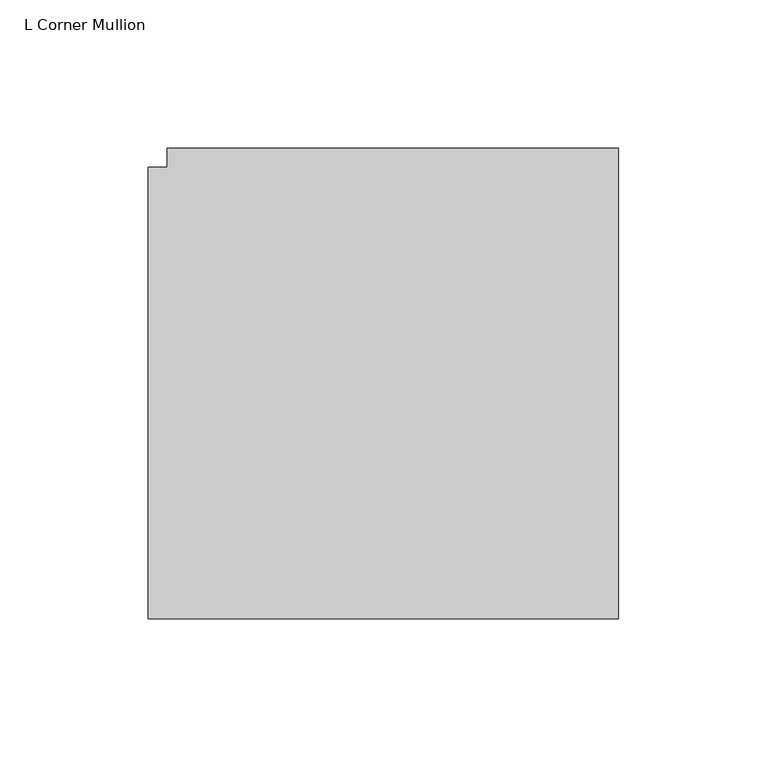
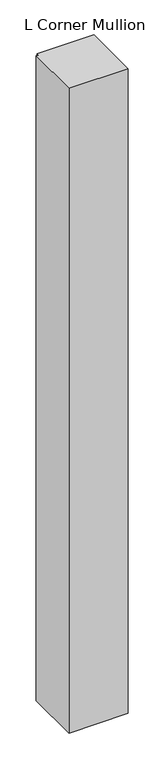
"""IFC4 building model written with IfcOpenShell, lengths in millimetres: member geometry, L Corner Mullion."""

from ifc_helpers import new_model, si_unit, frame, origin, place, context, project, spatial, polyline, outline, extrude, source, transform, mapped, element, save


def l_corner_mullion_a1ab1e55(model_context):
    return source(origin(), model_context, "Body", "SweptSolid", [
        extrude(outline(polyline([(114.3, 44.45), (114.3, -114.3), (-44.45, -114.3), (-44.45, 38.1), (-38.1, 38.1), (-38.1, 44.45), (114.3, 44.45)])), frame((0.0, 0.0, -1828.8), z_axis=(0.0, 0.0, 1.0), x_axis=(1.0, 0.0, 0.0)), (0.0, 0.0, 1.0), 1828.8),
    ])


if __name__ == "__main__":
    model = new_model("IFC4")
    model_context = context("Model", 3, world=origin())
    ifc_project = project(units=[si_unit("LENGTHUNIT", "METRE", prefix="MILLI")], contexts=[model_context])
    site = spatial("IfcSite", under=ifc_project)
    building = spatial("IfcBuilding", under=site)
    placement = place(None, origin())
    l_corner_mullion_shape = l_corner_mullion_a1ab1e55(model_context)
    element("IfcMember", 1, ObjectType="L Corner Mullion", at=placement, inside=building, context=model_context, shape_type="MappedRepresentation", body=[
        mapped(l_corner_mullion_shape, transform((0.0, 0.0, 0.0), x_axis=(1.0, 0.0, 0.0), y_axis=(0.0, 1.0, 0.0), z_axis=(0.0, 0.0, 1.0))),
    ])
    save(model, "model.ifc")
